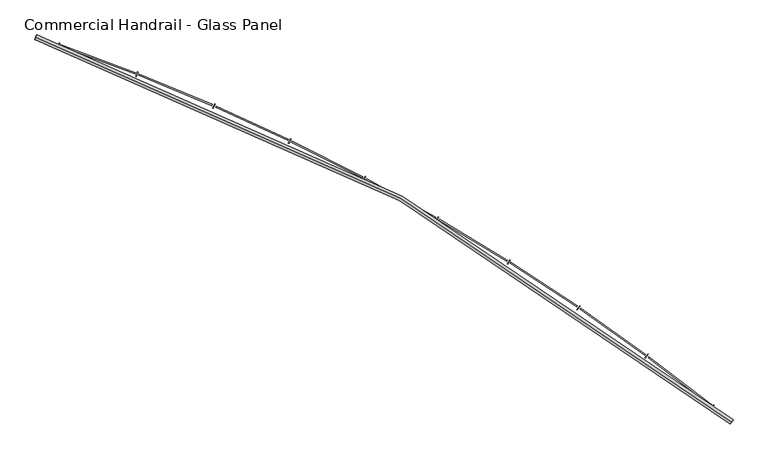
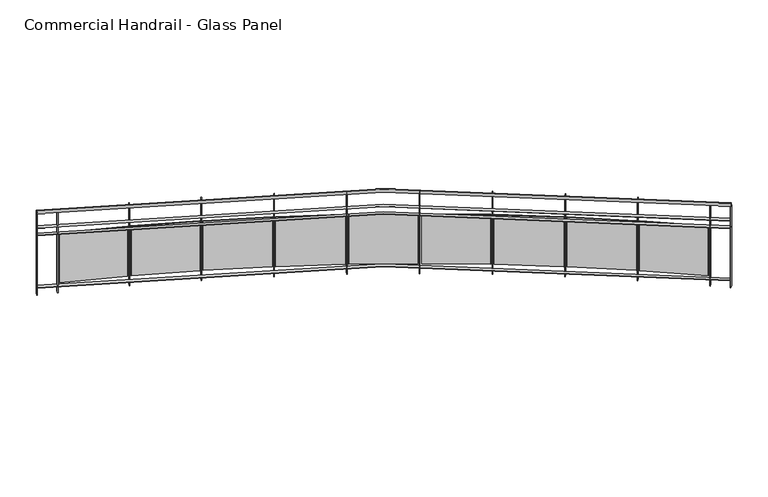
"""IFC4 building model written with IfcOpenShell, lengths in millimetres: railing geometry, Commercial Handrail - Glass Panel."""

from ifc_helpers import new_model, si_unit, point, frame, origin, place, context, project, spatial, polyline, circle_curve, ellipse_curve, trimmed, outline, extrude, source, transform, mapped, element, save
from ifc_brep_helpers import plane_surface, cylinder_surface, revolved_surface, advanced_brep


def commercial_handrail_glass_panel_f26bedf0(model_context):
    return source(origin(), model_context, "Body", "SolidModel", [
        advanced_brep(
        [(150583.3685507, -40178.0609172, 26482.5), (143915.4015975, -36490.7578825, 26482.5), (143915.4015975, -36490.7578825, 26517.5), (150583.3685507, -40178.0609172, 26517.5)],
        [
            (0, 1, circle_curve(frame((137048.5497623, -56781.179875, 26482.5), z_axis=(0.0, 0.0, 1.0), x_axis=(0.3205678761961466, 0.9472255469269671, 0.0)), 21420.8981782)),
            (1, 2, ellipse_curve(frame((143915.4015975, -36490.7578825, 26500.0), z_axis=(0.9472255469269654, -0.3205678761961524, 0.0), x_axis=(-0.32056787619615235, -0.9472255469269651, 0.0)), 25.0, 17.5)),
            (2, 3, circle_curve(frame((137048.5497623, -56781.179875, 26517.5), z_axis=(0.0, 0.0, -1.0), x_axis=(0.3205678761961466, 0.9472255469269671, 0.0)), 21420.8981782)),
            (3, 0, ellipse_curve(frame((150583.3685507, -40178.0609172, 26500.0), z_axis=(-0.7750897660636332, 0.6318511332136888, 0.0), x_axis=(-0.6318511332136887, -0.775089766063633, 0.0)), 25.0, 17.5)),
            (2, 1, ellipse_curve(frame((143915.4015975, -36490.7578825, 26500.0), z_axis=(0.9472255469269654, -0.3205678761961524, 0.0), x_axis=(-0.32056787619615235, -0.9472255469269651, 0.0)), 25.0, 17.5)),
            (0, 3, ellipse_curve(frame((150583.3685507, -40178.0609172, 26500.0), z_axis=(-0.7750897660636332, 0.6318511332136888, 0.0), x_axis=(-0.6318511332136887, -0.775089766063633, 0.0)), 25.0, 17.5)),
        ],
        [
            revolved_surface(trimmed(ellipse_curve(frame((143915.4015975, -36490.7578825, 26500.0), z_axis=(-0.9472255469269671, 0.3205678761961466, 0.0), x_axis=(0.0, 0.0, -1.0)), 17.5, 25.0), [point((143915.4015975, -36490.7578825, 26517.5))], [point((143915.4015975, -36490.7578825, 26482.5))], True, "CARTESIAN"), (137048.5497623, -56781.179875, 26500.0), (0.0, 0.0, -1.0)),
            revolved_surface(trimmed(ellipse_curve(frame((143915.4015975, -36490.7578825, 26500.0), z_axis=(-0.9472255469269671, 0.3205678761961466, 0.0), x_axis=(0.0, 0.0, -1.0)), 17.5, 25.0), [point((143915.4015975, -36490.7578825, 26482.5))], [point((143915.4015975, -36490.7578825, 26517.5))], True, "CARTESIAN"), (137048.5497623, -56781.179875, 26500.0), (0.0, 0.0, -1.0)),
            plane_surface(frame((143915.4015975, -36490.7578825, 26500.0), z_axis=(-0.9472255469269671, 0.3205678761961466, 0.0), x_axis=(0.3205678761961466, 0.9472255469269671, 0.0))),
            plane_surface(frame((150583.3685507, -40178.0609172, 26500.0), z_axis=(0.7750897660636331, -0.6318511332136886, 0.0), x_axis=(0.6318511332136886, 0.7750897660636331, 0.0))),
        ],
        [
            (0, [[1, 2, 3, 4]]),
            (1, [[-3, 5, -1, 6]]),
            (2, [[-2, -5]]),
            (3, [[-6, -4]]),
        ],
    ),
        advanced_brep(
        [(150597.5852012, -40160.6213975, 26300.0), (143922.6143747, -36469.4453077, 26300.0), (143908.1888203, -36512.0704573, 26300.0), (150569.1519002, -40195.500437, 26300.0), (150597.5852012, -40160.6213975, 26294.0), (143922.6143747, -36469.4453077, 26294.0), (150569.1519002, -40195.500437, 26294.0), (143908.1888203, -36512.0704573, 26294.0)],
        [
            (0, 1, circle_curve(frame((137048.5497623, -56781.179875, 26300.0), z_axis=(0.0, 0.0, 1.0), x_axis=(0.3205678761961466, 0.9472255469269671, 0.0)), 21443.3981782)),
            (1, 2),
            (2, 3, circle_curve(frame((137048.5497623, -56781.179875, 26300.0), z_axis=(0.0, 0.0, -1.0), x_axis=(0.3205678761961466, 0.9472255469269671, 0.0)), 21398.3981782)),
            (3, 0),
            (4, 5, circle_curve(frame((137048.5497623, -56781.179875, 26294.0), z_axis=(0.0, 0.0, 1.0), x_axis=(0.3205678761961466, 0.9472255469269671, 0.0)), 21443.3981782)),
            (5, 1),
            (0, 4),
            (6, 7, circle_curve(frame((137048.5497623, -56781.179875, 26294.0), z_axis=(0.0, 0.0, 1.0), x_axis=(0.3205678761961466, 0.9472255469269671, 0.0)), 21398.3981782)),
            (7, 5),
            (4, 6),
            (2, 7),
            (6, 3),
        ],
        [
            plane_surface(frame((137048.5497623, -56781.179875, 26300.0), z_axis=(0.0, 0.0, 1.0), x_axis=(0.3205678761961466, 0.9472255469269671, 0.0))),
            cylinder_surface(frame((137048.5497623, -56781.179875, 26300.0), z_axis=(0.0, 0.0, -1.0), x_axis=(0.3205678761961466, 0.9472255469269671, 0.0)), 21443.3981782),
            plane_surface(frame((137048.5497623, -56781.179875, 26294.0), z_axis=(0.0, 0.0, -1.0), x_axis=(0.3205678761961466, 0.9472255469269671, 0.0))),
            revolved_surface(polyline([(143908.18882028508, -36512.07045729349, 26294.0), (143908.18882028508, -36512.07045729349, 26300.0)]), (137048.5497623, -56781.179875, 26300.0), (0.0, 0.0, -1.0)),
            plane_surface(frame((143915.4015975, -36490.7578825, 26300.0), z_axis=(-0.9472255469269671, 0.3205678761961466, 0.0), x_axis=(0.3205678761961466, 0.9472255469269671, 0.0))),
            plane_surface(frame((150583.3685507, -40178.0609172, 26300.0), z_axis=(0.7750897660636331, -0.6318511332136886, 0.0), x_axis=(0.6318511332136886, 0.7750897660636331, 0.0))),
        ],
        [
            (0, [[1, 2, 3, 4]]),
            (1, [[5, 6, -1, 7]]),
            (2, [[8, 9, -5, 10]]),
            (3, [[-3, 11, -8, 12]]),
            (4, [[-2, -6, -9, -11]]),
            (5, [[-12, -10, -7, -4]]),
        ],
    ),
        advanced_brep(
        [(150597.5852012, -40160.6213975, 26200.0), (143922.6143747, -36469.4453077, 26200.0), (143908.1888203, -36512.0704573, 26200.0), (150569.1519002, -40195.500437, 26200.0), (150597.5852012, -40160.6213975, 26194.0), (143922.6143747, -36469.4453077, 26194.0), (150569.1519002, -40195.500437, 26194.0), (143908.1888203, -36512.0704573, 26194.0)],
        [
            (0, 1, circle_curve(frame((137048.5497623, -56781.179875, 26200.0), z_axis=(0.0, 0.0, 1.0), x_axis=(0.3205678761961466, 0.9472255469269671, 0.0)), 21443.3981782)),
            (1, 2),
            (2, 3, circle_curve(frame((137048.5497623, -56781.179875, 26200.0), z_axis=(0.0, 0.0, -1.0), x_axis=(0.3205678761961466, 0.9472255469269671, 0.0)), 21398.3981782)),
            (3, 0),
            (4, 5, circle_curve(frame((137048.5497623, -56781.179875, 26194.0), z_axis=(0.0, 0.0, 1.0), x_axis=(0.3205678761961466, 0.9472255469269671, 0.0)), 21443.3981782)),
            (5, 1),
            (0, 4),
            (6, 7, circle_curve(frame((137048.5497623, -56781.179875, 26194.0), z_axis=(0.0, 0.0, 1.0), x_axis=(0.3205678761961466, 0.9472255469269671, 0.0)), 21398.3981782)),
            (7, 5),
            (4, 6),
            (2, 7),
            (6, 3),
        ],
        [
            plane_surface(frame((137048.5497623, -56781.179875, 26200.0), z_axis=(0.0, 0.0, 1.0), x_axis=(0.3205678761961466, 0.9472255469269671, 0.0))),
            cylinder_surface(frame((137048.5497623, -56781.179875, 26200.0), z_axis=(0.0, 0.0, -1.0), x_axis=(0.3205678761961466, 0.9472255469269671, 0.0)), 21443.3981782),
            plane_surface(frame((137048.5497623, -56781.179875, 26194.0), z_axis=(0.0, 0.0, -1.0), x_axis=(0.3205678761961466, 0.9472255469269671, 0.0))),
            revolved_surface(polyline([(143908.18882028508, -36512.07045729349, 26194.0), (143908.18882028508, -36512.07045729349, 26200.0)]), (137048.5497623, -56781.179875, 26200.0), (0.0, 0.0, -1.0)),
            plane_surface(frame((143915.4015975, -36490.7578825, 26200.0), z_axis=(-0.9472255469269671, 0.3205678761961466, 0.0), x_axis=(0.3205678761961466, 0.9472255469269671, 0.0))),
            plane_surface(frame((150583.3685507, -40178.0609172, 26200.0), z_axis=(0.7750897660636331, -0.6318511332136886, 0.0), x_axis=(0.6318511332136886, 0.7750897660636331, 0.0))),
        ],
        [
            (0, [[1, 2, 3, 4]]),
            (1, [[5, 6, -1, 7]]),
            (2, [[8, 9, -5, 10]]),
            (3, [[-3, 11, -8, 12]]),
            (4, [[-2, -6, -9, -11]]),
            (5, [[-12, -10, -7, -4]]),
        ],
    ),
        advanced_brep(
        [(150597.5852012, -40160.6213975, 25500.0), (143922.6143747, -36469.4453077, 25500.0), (143908.1888203, -36512.0704573, 25500.0), (150569.1519002, -40195.500437, 25500.0), (150597.5852012, -40160.6213975, 25494.0), (143922.6143747, -36469.4453077, 25494.0), (150569.1519002, -40195.500437, 25494.0), (143908.1888203, -36512.0704573, 25494.0)],
        [
            (0, 1, circle_curve(frame((137048.5497623, -56781.179875, 25500.0), z_axis=(0.0, 0.0, 1.0), x_axis=(0.3205678761961466, 0.9472255469269671, 0.0)), 21443.3981782)),
            (1, 2),
            (2, 3, circle_curve(frame((137048.5497623, -56781.179875, 25500.0), z_axis=(0.0, 0.0, -1.0), x_axis=(0.3205678761961466, 0.9472255469269671, 0.0)), 21398.3981782)),
            (3, 0),
            (4, 5, circle_curve(frame((137048.5497623, -56781.179875, 25494.0), z_axis=(0.0, 0.0, 1.0), x_axis=(0.3205678761961466, 0.9472255469269671, 0.0)), 21443.3981782)),
            (5, 1),
            (0, 4),
            (6, 7, circle_curve(frame((137048.5497623, -56781.179875, 25494.0), z_axis=(0.0, 0.0, 1.0), x_axis=(0.3205678761961466, 0.9472255469269671, 0.0)), 21398.3981782)),
            (7, 5),
            (4, 6),
            (2, 7),
            (6, 3),
        ],
        [
            plane_surface(frame((137048.5497623, -56781.179875, 25500.0), z_axis=(0.0, 0.0, 1.0), x_axis=(0.3205678761961466, 0.9472255469269671, 0.0))),
            cylinder_surface(frame((137048.5497623, -56781.179875, 25500.0), z_axis=(0.0, 0.0, -1.0), x_axis=(0.3205678761961466, 0.9472255469269671, 0.0)), 21443.3981782),
            plane_surface(frame((137048.5497623, -56781.179875, 25494.0), z_axis=(0.0, 0.0, -1.0), x_axis=(0.3205678761961466, 0.9472255469269671, 0.0))),
            revolved_surface(polyline([(143908.18882028508, -36512.07045729349, 25494.0), (143908.18882028508, -36512.07045729349, 25500.0)]), (137048.5497623, -56781.179875, 25500.0), (0.0, 0.0, -1.0)),
            plane_surface(frame((143915.4015975, -36490.7578825, 25500.0), z_axis=(-0.9472255469269671, 0.3205678761961466, 0.0), x_axis=(0.3205678761961466, 0.9472255469269671, 0.0))),
            plane_surface(frame((150583.3685507, -40178.0609172, 25500.0), z_axis=(0.7750897660636331, -0.6318511332136886, 0.0), x_axis=(0.6318511332136886, 0.7750897660636331, 0.0))),
        ],
        [
            (0, [[1, 2, 3, 4]]),
            (1, [[5, 6, -1, 7]]),
            (2, [[8, 9, -5, 10]]),
            (3, [[-3, 11, -8, 12]]),
            (4, [[-2, -6, -9, -11]]),
            (5, [[-12, -10, -7, -4]]),
        ],
    ),
        extrude(outline(polyline([(150387.8172497, -40049.3121821), (150415.8741434, -40014.1296479), (150420.565148, -40017.8705671), (150392.5082542, -40053.0531013), (150387.8172497, -40049.3121821)])), frame((0.0, 0.0, 25400.0), z_axis=(0.0, 0.0, 1.0), x_axis=(1.0, 0.0, 0.0)), (0.0, 0.0, 1.0), 1082.1192282),
        extrude(outline(polyline([(149791.3308783, -39551.0349259), (150394.2690459, -40013.7071274), (150386.9636954, -40023.2272037), (149784.0255278, -39560.5550022), (149791.3308783, -39551.0349259)])), frame((0.0, 0.0, 25520.0), z_axis=(0.0, 0.0, 1.0), x_axis=(1.0, 0.0, 0.0)), (0.0, 0.0, 1.0), 660.0),
        extrude(outline(polyline([(149753.7807796, -39562.917524), (149780.5044628, -39526.7119338), (149785.3318748, -39530.2750916), (149758.6081917, -39566.4806817), (149753.7807796, -39562.917524)])), frame((0.0, 0.0, 25400.0), z_axis=(0.0, 0.0, 1.0), x_axis=(1.0, 0.0, 0.0)), (0.0, 0.0, 1.0), 1082.1192282),
        extrude(outline(polyline([(149139.1056536, -39087.2593434), (149758.8986545, -39527.0963996), (149751.9538589, -39536.8826049), (149132.160858, -39097.0455487), (149139.1056536, -39087.2593434)])), frame((0.0, 0.0, 25520.0), z_axis=(0.0, 0.0, 1.0), x_axis=(1.0, 0.0, 0.0)), (0.0, 0.0, 1.0), 660.0),
        extrude(outline(polyline([(149102.0254116, -39100.5357023), (149127.3786149, -39063.3575489), (149132.335702, -39066.737976), (149106.9824987, -39103.9161294), (149102.0254116, -39100.5357023)])), frame((0.0, 0.0, 25400.0), z_axis=(0.0, 0.0, 1.0), x_axis=(1.0, 0.0, 0.0)), (0.0, 0.0, 1.0), 1082.1192282),
        extrude(outline(polyline([(148470.0187657, -38648.1599571), (149105.8022278, -39064.5484649), (149099.2276724, -39074.5871511), (148463.4442103, -38658.1986434), (148470.0187657, -38648.1599571)])), frame((0.0, 0.0, 25520.0), z_axis=(0.0, 0.0, 1.0), x_axis=(1.0, 0.0, 0.0)), (0.0, 0.0, 1.0), 660.0),
        extrude(outline(polyline([(148433.4600931, -38662.8115613), (148457.4074585, -38624.712694), (148462.4873075, -38627.9056761), (148438.5399421, -38666.0045433), (148433.4600931, -38662.8115613)])), frame((0.0, 0.0, 25400.0), z_axis=(0.0, 0.0, 1.0), x_axis=(1.0, 0.0, 0.0)), (0.0, 0.0, 1.0), 1082.1192282),
        extrude(outline(polyline([(147785.0033328, -38234.3491413), (148435.8905832, -38626.7083992), (148429.695437, -38636.9855663), (147778.8081866, -38244.6263084), (147785.0033328, -38234.3491413)])), frame((0.0, 0.0, 25520.0), z_axis=(0.0, 0.0, 1.0), x_axis=(1.0, 0.0, 0.0)), (0.0, 0.0, 1.0), 660.0),
        extrude(outline(polyline([(147749.0172148, -38250.3555574), (147771.5253451, -38211.3891094), (147776.7208715, -38214.3901934), (147754.2127412, -38253.3566414), (147749.0172148, -38250.3555574)])), frame((0.0, 0.0, 25400.0), z_axis=(0.0, 0.0, 1.0), x_axis=(1.0, 0.0, 0.0)), (0.0, 0.0, 1.0), 1082.1192282),
        extrude(outline(polyline([(147085.0146873, -37846.4040024), (147750.0979893, -38214.1868206), (147744.2908922, -38224.6881359), (147079.2075902, -37856.9053177), (147085.0146873, -37846.4040024)])), frame((0.0, 0.0, 25520.0), z_axis=(0.0, 0.0, 1.0), x_axis=(1.0, 0.0, 0.0)), (0.0, 0.0, 1.0), 660.0),
        extrude(outline(polyline([(147049.6513106, -37863.7429077), (147070.6888157, -37823.9632221), (147075.9927737, -37826.7682228), (147054.9552687, -37866.5479084), (147049.6513106, -37863.7429077)])), frame((0.0, 0.0, 25400.0), z_axis=(0.0, 0.0, 1.0), x_axis=(1.0, 0.0, 0.0)), (0.0, 0.0, 1.0), 1082.1192282),
        extrude(outline(polyline([(146371.0290434, -37484.8655743), (147049.3808623, -37827.5590376), (147043.9699129, -37838.2698558), (146365.618094, -37495.5763925), (146371.0290434, -37484.8655743)])), frame((0.0, 0.0, 25520.0), z_axis=(0.0, 0.0, 1.0), x_axis=(1.0, 0.0, 0.0)), (0.0, 0.0, 1.0), 660.0),
        extrude(outline(polyline([(146336.3377264, -37503.5127878), (146355.8752669, -37462.975342), (146361.2802597, -37465.5803474), (146341.7427192, -37506.1177932), (146336.3377264, -37503.5127878)])), frame((0.0, 0.0, 25400.0), z_axis=(0.0, 0.0, 1.0), x_axis=(1.0, 0.0, 0.0)), (0.0, 0.0, 1.0), 1082.1192282),
        extrude(outline(polyline([(145644.0421358, -37150.2380638), (146334.7164324, -37467.364247), (146329.7091769, -37478.2696306), (145639.0348803, -37161.1434474), (145644.0421358, -37150.2380638)])), frame((0.0, 0.0, 25520.0), z_axis=(0.0, 0.0, 1.0), x_axis=(1.0, 0.0, 0.0)), (0.0, 0.0, 1.0), 660.0),
        extrude(outline(polyline([(145610.0712594, -37170.1675797), (145628.0815881, -37128.9289078), (145633.5800777, -37131.3302849), (145615.569749, -37172.5689569), (145610.0712594, -37170.1675797)])), frame((0.0, 0.0, 25400.0), z_axis=(0.0, 0.0, 1.0), x_axis=(1.0, 0.0, 0.0)), (0.0, 0.0, 1.0), 1082.1192282),
        extrude(outline(polyline([(144905.0678309, -36842.9881472), (145607.1013808, -37134.1047815), (145602.5048024, -37145.1895217), (144900.4712525, -36854.0728874), (144905.0678309, -36842.9881472)])), frame((0.0, 0.0, 25520.0), z_axis=(0.0, 0.0, 1.0), x_axis=(1.0, 0.0, 0.0)), (0.0, 0.0, 1.0), 660.0),
        extrude(outline(polyline([(144871.8647714, -36864.1721715), (144888.3227707, -36822.2897855), (144893.9070889, -36824.4841854), (144877.4490896, -36866.3665714), (144871.8647714, -36864.1721715)])), frame((0.0, 0.0, 25400.0), z_axis=(0.0, 0.0, 1.0), x_axis=(1.0, 0.0, 0.0)), (0.0, 0.0, 1.0), 1082.1192282),
        extrude(outline(polyline([(144155.1367129, -36563.5443196), (144867.5504501, -36828.2454095), (144863.3709592, -36839.4940475), (144150.957222, -36574.7929575), (144155.1367129, -36563.5443196)])), frame((0.0, 0.0, 25520.0), z_axis=(0.0, 0.0, 1.0), x_axis=(1.0, 0.0, 0.0)), (0.0, 0.0, 1.0), 660.0),
        extrude(outline(polyline([(144122.7477757, -36585.9533088), (144137.6304932, -36543.4856185), (144143.2928519, -36545.4699808), (144128.4101344, -36587.9376712), (144122.7477757, -36585.9533088)])), frame((0.0, 0.0, 25400.0), z_axis=(0.0, 0.0, 1.0), x_axis=(1.0, 0.0, 0.0)), (0.0, 0.0, 1.0), 1082.1192282),
        extrude(outline(polyline([(150566.8266309, -40193.6048836), (150595.2599319, -40158.7258441), (150599.9104705, -40162.5169509), (150571.4771695, -40197.3959904), (150566.8266309, -40193.6048836)])), frame((0.0, 0.0, 25400.0), z_axis=(0.0, 0.0, 1.0), x_axis=(1.0, 0.0, 0.0)), (0.0, 0.0, 1.0), 1082.1192282),
        extrude(outline(polyline([(143905.3471437, -36511.1087537), (143919.7726981, -36468.4836041), (143925.4560514, -36470.4070113), (143911.030497, -36513.032161), (143905.3471437, -36511.1087537)])), frame((0.0, 0.0, 25400.0), z_axis=(0.0, 0.0, 1.0), x_axis=(1.0, 0.0, 0.0)), (0.0, 0.0, 1.0), 1082.1192282),
    ])


if __name__ == "__main__":
    model = new_model("IFC4")
    model_context = context("Model", 3, world=origin())
    ifc_project = project(units=[si_unit("LENGTHUNIT", "METRE", prefix="MILLI")], contexts=[model_context])
    site = spatial("IfcSite", under=ifc_project)
    building = spatial("IfcBuilding", under=site)
    placement = place(None, origin())
    commercial_handrail_glass_panel_shape = commercial_handrail_glass_panel_f26bedf0(model_context)
    element("IfcRailing", 1, ObjectType="Commercial Handrail - Glass Panel", at=placement, inside=building, context=model_context, shape_type="MappedRepresentation", body=[
        mapped(commercial_handrail_glass_panel_shape, transform((0.0, 0.0, 0.0), x_axis=(1.0, 0.0, 0.0), y_axis=(0.0, 1.0, 0.0), z_axis=(0.0, 0.0, 1.0))),
    ])
    save(model, "model.ifc")
